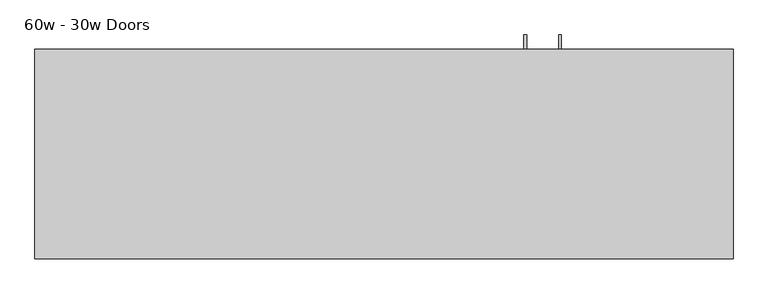
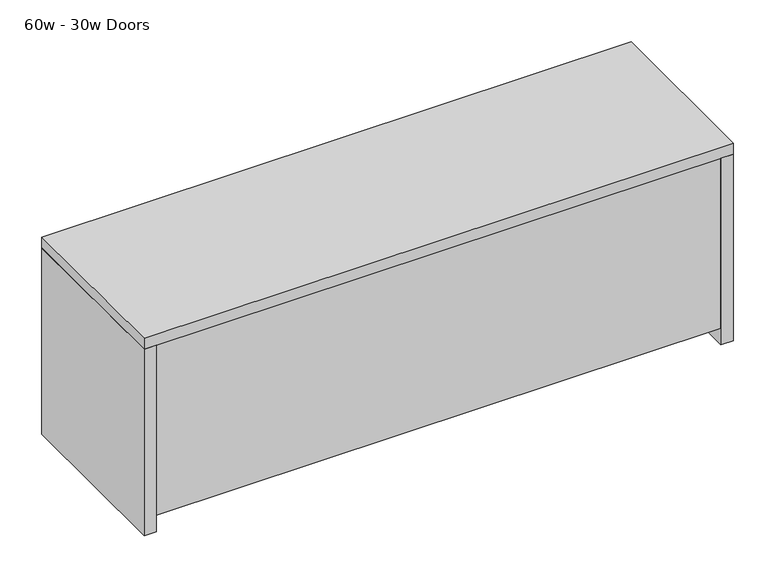
"""IFC4 building model written with IfcOpenShell, lengths in millimetres: furniture geometry, 60w - 30w Doors."""

from ifc_helpers import new_model, si_unit, frame, origin, origin_with_axes, place, context, project, spatial, polyline, outline, extrude, source, transform, mapped, element, save


def furniture_60w_30w_doors_88e208d6(model_context):
    return source(origin(), model_context, "Body", "SweptSolid", [
        extrude(outline(polyline([(457.2, 344.4875), (457.2, 369.8875), (488.9499879, 369.8875), (488.9499879, 188.9125), (457.2, 188.9125), (457.2, 214.3125), (482.5999758, 214.3125), (482.5999758, 344.4875), (457.2, 344.4875)])), frame((152.4, 0.0, 0.0), z_axis=(1.0, 0.0, 0.0), x_axis=(0.0, 1.0, 0.0)), (0.0, 0.0, 1.0), 6.35),
        extrude(outline(polyline([(-187.325, 457.2), (192.0875, 457.2), (192.0875, 438.15), (-187.325, 438.15), (-187.325, 457.2)])), frame((0.0, 0.0, 50.8), z_axis=(0.0, 0.0, 1.0), x_axis=(1.0, 0.0, 0.0)), (0.0, 0.0, 1.0), 457.2),
        extrude(outline(polyline([(457.2, 344.4875), (457.2, 369.8875), (488.9499879, 369.8875), (488.9499879, 188.9125), (457.2, 188.9125), (457.2, 214.3125), (482.5999758, 214.3125), (482.5999758, 344.4875), (457.2, 344.4875)])), frame((228.6, 0.0, 0.0), z_axis=(1.0, 0.0, 0.0), x_axis=(0.0, 1.0, 0.0)), (0.0, 0.0, 1.0), 6.35),
        extrude(outline(polyline([(574.675, 457.2), (574.675, 438.15), (195.2625, 438.15), (195.2625, 457.2), (574.675, 457.2)])), frame((0.0, 0.0, 50.8), z_axis=(0.0, 0.0, 1.0), x_axis=(1.0, 0.0, 0.0)), (0.0, 0.0, 1.0), 457.2),
        extrude(outline(polyline([(-190.5, 19.05), (-882.65, 19.05), (-882.65, 436.5625), (-190.5, 436.5625), (-190.5, 19.05)])), frame((0.0, 0.0, 355.6), z_axis=(0.0, 0.0, 1.0), x_axis=(1.0, 0.0, 0.0)), (0.0, 0.0, 1.0), 19.05),
        extrude(outline(polyline([(577.85, 19.05), (-171.45, 19.05), (-171.45, 436.5625), (577.85, 436.5625), (577.85, 19.05)])), frame((0.0, 0.0, 355.6), z_axis=(0.0, 0.0, 1.0), x_axis=(1.0, 0.0, 0.0)), (0.0, 0.0, 1.0), 19.05),
        extrude(outline(polyline([(438.15, 44.45), (436.5625, 44.45), (436.5625, 61.9125), (20.6375, 61.9125), (20.6375, 44.45), (19.05, 44.45), (19.05, 63.5), (438.15, 63.5), (438.15, 44.45)])), frame((-882.65, 0.0, 0.0), z_axis=(1.0, 0.0, 0.0), x_axis=(0.0, 1.0, 0.0)), (0.0, 0.0, 1.0), 1460.5),
        extrude(outline(polyline([(-171.45, 438.15), (-171.45, 19.05), (-190.5, 19.05), (-190.5, 438.15), (-171.45, 438.15)])), frame((0.0, 0.0, 63.5), z_axis=(0.0, 0.0, 1.0), x_axis=(1.0, 0.0, 0.0)), (0.0, 0.0, 1.0), 446.0875),
        extrude(outline(polyline([(-914.4, 0.0), (-914.4, 457.2), (-882.65, 457.2), (-882.65, 0.0), (-914.4, 0.0)])), origin_with_axes(), (0.0, 0.0, 1.0), 509.5875),
        extrude(outline(polyline([(609.6, 457.2), (609.6, 0.0), (577.85, 0.0), (577.85, 457.2), (609.6, 457.2)])), origin_with_axes(), (0.0, 0.0, 1.0), 509.5875),
        extrude(outline(polyline([(609.6, 0.0), (-914.4, 0.0), (-914.4, 457.2), (609.6, 457.2), (609.6, 0.0)])), frame((0.0, 0.0, 509.5875), z_axis=(0.0, 0.0, 1.0), x_axis=(1.0, 0.0, 0.0)), (0.0, 0.0, 1.0), 30.1625),
        extrude(outline(polyline([(577.85, 0.0), (-882.65, 0.0), (-882.65, 19.05), (577.85, 19.05), (577.85, 0.0)])), frame((0.0, 0.0, 44.45), z_axis=(0.0, 0.0, 1.0), x_axis=(1.0, 0.0, 0.0)), (0.0, 0.0, 1.0), 465.1375),
    ])


if __name__ == "__main__":
    model = new_model("IFC4")
    model_context = context("Model", 3, world=origin())
    ifc_project = project(units=[si_unit("LENGTHUNIT", "METRE", prefix="MILLI")], contexts=[model_context])
    site = spatial("IfcSite", under=ifc_project)
    building = spatial("IfcBuilding", under=site)
    placement = place(None, origin())
    furniture_60w_30w_doors_shape = furniture_60w_30w_doors_88e208d6(model_context)
    element("IfcFurniture", 1, ObjectType="60w - 30w Doors", at=placement, inside=building, context=model_context, shape_type="MappedRepresentation", body=[
        mapped(furniture_60w_30w_doors_shape, transform((0.0, 0.0, 0.0), x_axis=(1.0, 0.0, 0.0), y_axis=(0.0, 1.0, 0.0), z_axis=(0.0, 0.0, 1.0))),
    ])
    save(model, "model.ifc")
